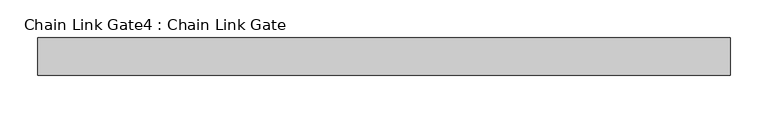
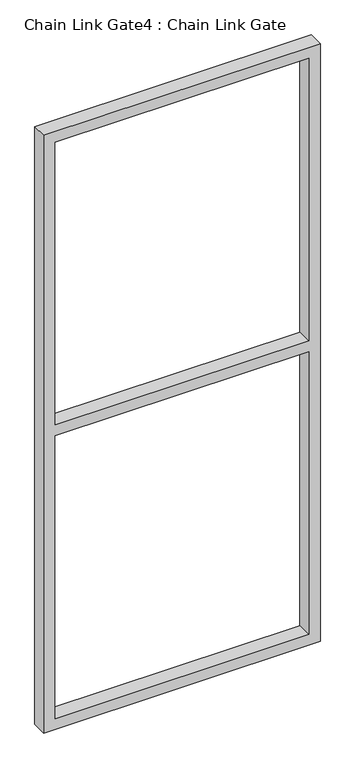
"""IFC4 building model written with IfcOpenShell, lengths in millimetres: proxy geometry, Chain Link Gate4 : Chain Link Gate."""

import ifcopenshell
import ifcopenshell.guid

model = None  # the IFC model being written
_history = None  # IfcOwnerHistory: only IFC2X3 demands one
_inside = {}  # id of a spatial element -> (the spatial element, [elements in it])
_under = {}  # id of a project, library or spatial element -> (it, [spatial elements below it])
_declared = {}  # id of a project -> (the project, [libraries it declares])
_typed = {}  # id of a type object -> (the type object, [elements of that type])
_made_of = {}  # id of a material, layer set ... -> (it, [elements and type objects made of it])


def new_model(schema):
    """Start an empty IFC model of exactly this schema.

    Asked for "IFC4X3", IfcOpenShell would pick the latest addendum, in which some entities
    have other attributes; the version numbers below select the first issue.
    IFC2X3 requires an IfcOwnerHistory on every rooted entity: one is made here for all.
    """
    global model, _history
    if schema == "IFC4X3":
        model = ifcopenshell.file(schema_version=(4, 3, 0, 0))
    else:
        model = ifcopenshell.file(schema=schema)
    _inside.clear()
    _under.clear()
    _declared.clear()
    _typed.clear()
    _made_of.clear()
    _history = None
    if model.schema == "IFC2X3":
        org = make("IfcOrganization", Name="unknown")
        user = make(
            "IfcPersonAndOrganization",
            ThePerson=make("IfcPerson", FamilyName="unknown"),
            TheOrganization=org,
        )
        app = make(
            "IfcApplication",
            ApplicationDeveloper=org,
            Version="unknown",
            ApplicationFullName="unknown",
            ApplicationIdentifier="unknown",
        )
        _history = make(
            "IfcOwnerHistory",
            OwningUser=user,
            OwningApplication=app,
            ChangeAction="ADDED",
            CreationDate=0,
        )
    return model


def make(cls, **values):
    """One entity of the class cls with the attributes given. An attribute that is None is left unset."""
    return model.create_entity(
        cls, **{name: value for name, value in values.items() if value is not None}
    )


def rooted(cls, **values):
    """An entity with a GlobalId (a new one), such as an element, a storey or a relation."""
    return make(cls, GlobalId=ifcopenshell.guid.new(), OwnerHistory=_history, **values)


def si_unit(unit_type, name, prefix=None):
    """IfcSIUnit, for example si_unit("LENGTHUNIT", "METRE", prefix="MILLI")."""
    return make("IfcSIUnit", UnitType=unit_type, Prefix=prefix, Name=name)


def assignment(units):
    """IfcUnitAssignment: the units of a project."""
    return None if units is None else make("IfcUnitAssignment", Units=units)


def point(xyz):
    """IfcCartesianPoint."""
    return None if xyz is None else make("IfcCartesianPoint", Coordinates=xyz)


def direction(xyz):
    """IfcDirection."""
    return None if xyz is None else make("IfcDirection", DirectionRatios=xyz)


def frame(location, z_axis=None, x_axis=None):
    """IfcAxis2Placement3D, a coordinate frame: its origin and axes. An axis left out is left unset."""
    return make(
        "IfcAxis2Placement3D",
        Location=point(location),
        Axis=direction(z_axis),
        RefDirection=direction(x_axis),
    )


def origin():
    """The frame at (0, 0, 0) with its axes left unset."""
    return frame((0.0, 0.0, 0.0))


def place(relative_to, where):
    """IfcLocalPlacement: puts the frame where relative to a parent placement (None: the world)."""
    return make(
        "IfcLocalPlacement", PlacementRelTo=relative_to, RelativePlacement=where
    )


def context(
    kind, dimensions, precision=None, world=None, true_north=None, identifier=None
):
    """IfcGeometricRepresentationContext, for example the 3D "Model" context."""
    return make(
        "IfcGeometricRepresentationContext",
        ContextIdentifier=identifier,
        ContextType=kind,
        CoordinateSpaceDimension=dimensions,
        Precision=precision,
        WorldCoordinateSystem=world,
        TrueNorth=true_north,
    )


def project(units=None, contexts=None):
    """IfcProject with its units and contexts."""
    return rooted(
        "IfcProject",
        Name="project",
        RepresentationContexts=contexts,
        UnitsInContext=assignment(units),
    )


def spatial(cls, under=None, at=None, **own):
    """A site, building, storey or space (cls), placed at a placement, below another one or the project."""
    s = rooted(cls, ObjectPlacement=at, **own)
    if under is not None:
        _under.setdefault(under.id(), (under, []))[1].append(s)
    return s


def polyline(points):
    """IfcPolyline through the points."""
    return make("IfcPolyline", Points=[point(p) for p in points])


def outline(outer, holes=None, kind="AREA"):
    """IfcArbitraryClosedProfileDef: a profile drawn as a closed curve; with holes, ...WithVoids."""
    if holes is None:
        return make("IfcArbitraryClosedProfileDef", ProfileType=kind, OuterCurve=outer)
    return make(
        "IfcArbitraryProfileDefWithVoids",
        ProfileType=kind,
        OuterCurve=outer,
        InnerCurves=holes,
    )


def extrude(swept, where, along, depth):
    """IfcExtrudedAreaSolid: the profile swept, set in the frame where, extruded along a direction by depth."""
    return make(
        "IfcExtrudedAreaSolid",
        SweptArea=swept,
        Position=where,
        ExtrudedDirection=direction(along),
        Depth=depth,
    )


def shape(context_of_items, identifier, shape_type, items):
    """IfcShapeRepresentation: the items that make up one representation, for example the "Body"."""
    return make(
        "IfcShapeRepresentation",
        ContextOfItems=context_of_items,
        RepresentationIdentifier=identifier,
        RepresentationType=shape_type,
        Items=items,
    )


def source(mapping_origin, context_of_items, identifier, shape_type, items):
    """IfcRepresentationMap: a shape defined once, which mapped items show again and again."""
    return make(
        "IfcRepresentationMap",
        MappingOrigin=mapping_origin,
        MappedRepresentation=shape(context_of_items, identifier, shape_type, items),
    )


def transform(
    local_origin,
    x_axis=None,
    y_axis=None,
    z_axis=None,
    scale=None,
    scale2=None,
    scale3=None,
    uniform=True,
):
    """IfcCartesianTransformationOperator3D, or its non-uniform kind. x_axis, y_axis, z_axis: its Axis1, 2, 3."""
    if uniform:
        return make(
            "IfcCartesianTransformationOperator3D",
            Axis1=direction(x_axis),
            Axis2=direction(y_axis),
            LocalOrigin=point(local_origin),
            Scale=scale,
            Axis3=direction(z_axis),
        )
    return make(
        "IfcCartesianTransformationOperator3DnonUniform",
        Axis1=direction(x_axis),
        Axis2=direction(y_axis),
        LocalOrigin=point(local_origin),
        Scale=scale,
        Axis3=direction(z_axis),
        Scale2=scale2,
        Scale3=scale3,
    )


def mapped(mapping_source, mapping_target):
    """IfcMappedItem: shows the shape of a source again, moved by a transform."""
    return make(
        "IfcMappedItem", MappingSource=mapping_source, MappingTarget=mapping_target
    )


def made_of(thing, what):
    """Note that an element or type object is made of a material, layer set ...; save() writes the relation."""
    if what is not None:
        _made_of.setdefault(what.id(), (what, []))[1].append(thing)
    return thing


def element(
    cls,
    number,
    at=None,
    inside=None,
    cuts=None,
    type_object=None,
    material=None,
    context=None,
    identifier="Body",
    shape_type=None,
    held_by="IfcProductDefinitionShape",
    body=None,
    shapes=None,
    **own,
):
    """One element of the class cls, such as IfcWall. Its Tag is "e" and its number.

    at: its placement. inside: the storey or other place that contains it. cuts: it is an
    opening in that element (IfcRelVoidsElement). A single representation is given by context,
    identifier, shape_type and body (its items); several are given by shapes. held_by: the class
    of the entity that holds the representations. save() writes the other relations.
    """
    e = rooted(cls, Tag="e%d" % number, ObjectPlacement=at, **own)
    if body is not None:
        shapes = [shape(context, identifier, shape_type, body)]
    if shapes is not None:
        e.Representation = make(held_by, Representations=shapes)
    if inside is not None:
        _inside.setdefault(inside.id(), (inside, []))[1].append(e)
    if cuts is not None:
        rooted(
            "IfcRelVoidsElement", RelatingBuildingElement=cuts, RelatedOpeningElement=e
        )
    if type_object is not None:
        _typed.setdefault(type_object.id(), (type_object, []))[1].append(e)
    return made_of(e, material)


def aggregate(whole, parts):
    """IfcRelAggregates: a whole, such as a stair, and the parts it consists of."""
    return rooted("IfcRelAggregates", RelatingObject=whole, RelatedObjects=parts)


def save(model, path):
    """Write the relations noted so far, then the file.

    IfcRelAggregates (storeys below a building ...), IfcRelContainedInSpatialStructure (elements
    in a storey), IfcRelDefinesByType, IfcRelAssociatesMaterial and IfcRelDeclares: one each for
    every whole, place, type object, material and project.
    """
    for whole, parts in _under.values():
        aggregate(whole, parts)
    for where, things in _inside.values():
        rooted(
            "IfcRelContainedInSpatialStructure",
            RelatedElements=things,
            RelatingStructure=where,
        )
    for kind, things in _typed.values():
        rooted("IfcRelDefinesByType", RelatedObjects=things, RelatingType=kind)
    for what, things in _made_of.values():
        rooted("IfcRelAssociatesMaterial", RelatedObjects=things, RelatingMaterial=what)
    for by, libraries in _declared.values():
        rooted("IfcRelDeclares", RelatingContext=by, RelatedDefinitions=libraries)
    model.write(path)


def chain_link_gate4_chain_link_gate_3eb1ee66(model_context):
    return source(origin(), model_context, "Body", "SweptSolid", [
        extrude(outline(polyline([(2120.9, -21757.0618371), (12.7, -21757.0618371), (12.7, -20833.1368371), (2120.9, -20833.1368371), (2120.9, -21757.0618371)]), holes=[polyline([(2082.8, -21718.9618371), (2082.8, -20871.2368371), (1085.85, -20871.2368371), (1085.85, -21718.9618371), (2082.8, -21718.9618371)]), polyline([(1047.75, -20871.2368371), (50.8, -20871.2368371), (50.8, -21718.9618371), (1047.75, -21718.9618371), (1047.75, -20871.2368371)])]), frame((0.0, 17057.3849225, 0.0), z_axis=(0.0, 1.0, 0.0), x_axis=(0.0, 0.0, 1.0)), (0.0, 0.0, 1.0), 50.1314753),
    ])


if __name__ == "__main__":
    model = new_model("IFC4")
    model_context = context("Model", 3, world=origin())
    ifc_project = project(units=[si_unit("LENGTHUNIT", "METRE", prefix="MILLI")], contexts=[model_context])
    site = spatial("IfcSite", under=ifc_project)
    building = spatial("IfcBuilding", under=site)
    placement = place(None, origin())
    chain_link_gate4_chain_link_gate_shape = chain_link_gate4_chain_link_gate_3eb1ee66(model_context)
    element("IfcBuildingElementProxy", 1, Name="Chain Link Gate4 : Chain Link Gate", ObjectType="Chain Link Gate4 : Chain Link Gate", at=placement, inside=building, context=model_context, shape_type="MappedRepresentation", body=[
        mapped(chain_link_gate4_chain_link_gate_shape, transform((0.0, 0.0, 0.0), x_axis=(1.0, 0.0, 0.0), y_axis=(0.0, 1.0, 0.0), z_axis=(0.0, 0.0, 1.0))),
    ])
    save(model, "model.ifc")
